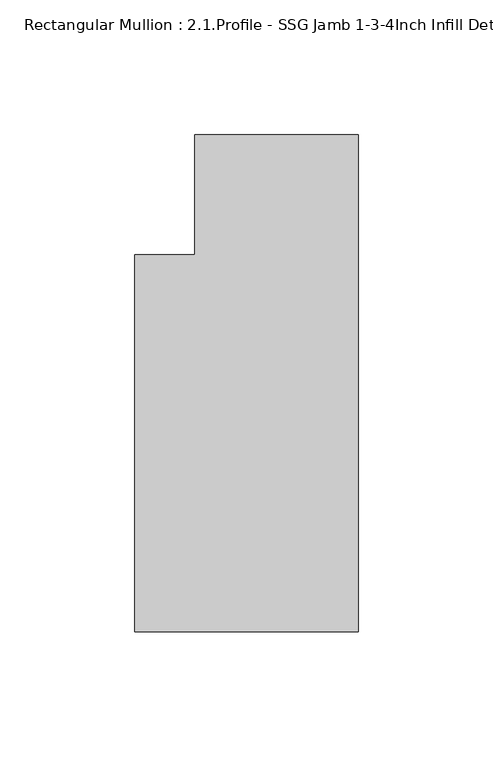
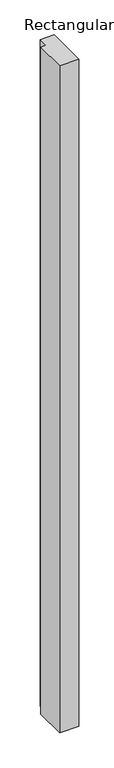
"""IFC4 building model written with IfcOpenShell, lengths in millimetres: member geometry, Rectangular Mullion : 2.1.Profile - SSG Jamb 1-3-4Inch Infill Detail-7."""

from ifc_helpers import new_model, si_unit, frame, origin, place, context, project, spatial, polyline, outline, extrude, source, transform, mapped, element, save


def rectangular_mullion_2_1_profile_ssg_jamb_1_3_4inch_infill_ce4a999f(model_context):
    return source(origin(), model_context, "Body", "SweptSolid", [
        extrude(outline(polyline([(-82.7668749, -92.0773804), (-82.7668749, 47.6849632), (-60.5419882, 47.6849632), (-60.5419882, 92.1349632), (0.0, 92.1349632), (0.0, -92.0773804), (-82.7668749, -92.0773804)])), frame((0.0, 0.0, -3048.0), z_axis=(0.0, 0.0, 1.0), x_axis=(1.0, 0.0, 0.0)), (0.0, 0.0, 1.0), 3048.0),
    ])


if __name__ == "__main__":
    model = new_model("IFC4")
    model_context = context("Model", 3, world=origin())
    ifc_project = project(units=[si_unit("LENGTHUNIT", "METRE", prefix="MILLI")], contexts=[model_context])
    site = spatial("IfcSite", under=ifc_project)
    building = spatial("IfcBuilding", under=site)
    placement = place(None, origin())
    rectangular_mullion_2_1_profile_ssg_jamb_1_3_4inch_infill_shape = rectangular_mullion_2_1_profile_ssg_jamb_1_3_4inch_infill_ce4a999f(model_context)
    element("IfcMember", 1, ObjectType="Rectangular Mullion : 2.1.Profile - SSG Jamb 1-3-4Inch Infill Detail-7", at=placement, inside=building, context=model_context, shape_type="MappedRepresentation", body=[
        mapped(rectangular_mullion_2_1_profile_ssg_jamb_1_3_4inch_infill_shape, transform((0.0, 0.0, 0.0), x_axis=(1.0, 0.0, 0.0), y_axis=(0.0, 1.0, 0.0), z_axis=(0.0, 0.0, 1.0))),
    ])
    save(model, "model.ifc")
